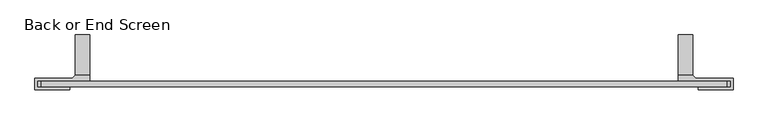
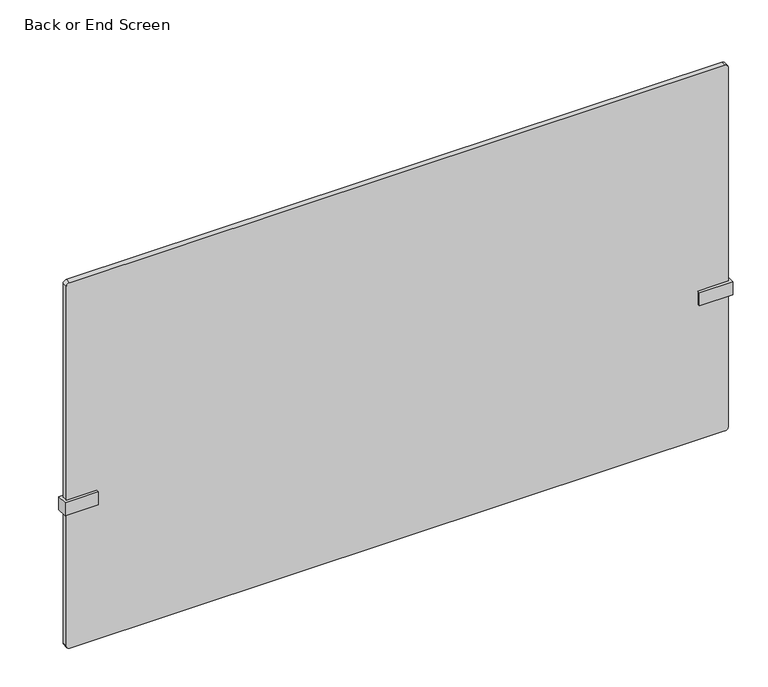
"""IFC4 building model written with IfcOpenShell, lengths in millimetres: furniture geometry, Back or End Screen."""

from ifc_helpers import new_model, si_unit, point, frame, frame_2d, origin, place, context, project, spatial, polyline, circle_curve, trimmed, segment, composite_curve, outline, extrude, faceted_brep, source, transform, mapped, element, save


def back_or_end_screen_05d55c21(model_context):
    return source(origin(), model_context, "Body", "SolidModel", [
        faceted_brep([(-680.3645436, 6.35, 700.0875), (-680.3645436, 107.95, 700.0875), (-680.3645436, 107.95, 706.4375), (-680.3645436, 19.05, 706.4375), (-680.3645436, 19.05, 738.1875), (-680.3645436, 6.35, 738.1875), (-712.1145436, 107.95, 706.4375), (-712.1145436, 107.95, 700.0875), (-712.1145436, 6.35, 700.0875), (-712.1145436, 6.35, 706.4375), (-712.1145436, 19.05, 706.4375), (-794.6645436, 6.35, 738.1875), (-794.6645436, 6.35, 706.4375), (-794.6645436, -6.35, 738.1875), (-712.1145436, 19.05, 738.1875), (-718.4645436, 12.7, 738.1875), (-801.0145436, 12.7, 738.1875), (-801.0145436, -12.7, 738.1875), (-724.8145436, -12.7, 738.1875), (-724.8145436, -6.35, 738.1875), (-794.6645436, -6.35, 706.4375), (-724.8145436, -6.35, 706.4375), (-724.8145436, -12.7, 706.4375), (-801.0145436, -12.7, 706.4375), (-801.0145436, 12.7, 706.4375), (-718.4645436, 12.7, 706.4375)], [[[0, 1, 2, 3, 4, 5]], [[6, 7, 8, 9, 10]], [[2, 6, 10, 3]], [[0, 5, 11, 12, 9, 8]], [[1, 0, 8, 7]], [[2, 1, 7, 6]], [[13, 11, 5, 4, 14, 15, 16, 17, 18, 19]], [[20, 21, 22, 23, 24, 25, 10, 9, 12]], [[11, 13, 20, 12]], [[14, 4, 3, 10]], [[15, 14, 10, 25]], [[16, 15, 25, 24]], [[17, 16, 24, 23]], [[18, 17, 23, 22]], [[19, 18, 22, 21]], [[13, 19, 21, 20]]]),
        faceted_brep([(615.0354564, 107.95, 706.4375), (615.0354564, 107.95, 700.0875), (615.0354564, 6.35, 700.0875), (615.0354564, 6.35, 738.1875), (615.0354564, 19.05, 738.1875), (615.0354564, 19.05, 706.4375), (646.7854564, 6.35, 706.4375), (646.7854564, 6.35, 700.0875), (646.7854564, 107.95, 700.0875), (646.7854564, 107.95, 706.4375), (646.7854564, 19.05, 706.4375), (729.3354564, 6.35, 706.4375), (729.3354564, 6.35, 738.1875), (729.3354564, -6.35, 738.1875), (659.4854564, -6.35, 738.1875), (659.4854564, -12.7, 738.1875), (735.6854564, -12.7, 738.1875), (735.6854564, 12.7, 738.1875), (653.1354564, 12.7, 738.1875), (646.7854564, 19.05, 738.1875), (653.1354564, 12.7, 706.4375), (735.6854564, 12.7, 706.4375), (735.6854564, -12.7, 706.4375), (659.4854564, -12.7, 706.4375), (659.4854564, -6.35, 706.4375), (729.3354564, -6.35, 706.4375)], [[[0, 1, 2, 3, 4, 5]], [[6, 7, 8, 9, 10]], [[1, 0, 9, 8]], [[2, 1, 8, 7]], [[3, 2, 7, 6, 11, 12]], [[9, 0, 5, 10]], [[12, 13, 14, 15, 16, 17, 18, 19, 4, 3]], [[10, 20, 21, 22, 23, 24, 25, 11, 6]], [[18, 17, 21, 20]], [[17, 16, 22, 21]], [[16, 15, 23, 22]], [[15, 14, 24, 23]], [[14, 13, 25, 24]], [[13, 12, 11, 25]], [[4, 19, 10, 5]], [[19, 18, 20, 10]]]),
        extrude(outline(composite_curve([segment(polyline([(1265.2375, 721.3979564), (1265.2375, -786.7270436)]), True, "CONTINUOUS"), segment(trimmed(circle_curve(frame_2d((1257.3, -786.7270436)), 7.9375), [point((1265.2375, -786.7270436))], [point((1257.3, -794.6645436))], False, "CARTESIAN"), True, "CONTINUOUS"), segment(polyline([(1257.3, -794.6645436), (384.175, -794.6645436)]), True, "CONTINUOUS"), segment(trimmed(circle_curve(frame_2d((384.175, -786.7270436)), 7.9375), [point((384.175, -794.6645436))], [point((376.2375, -786.7270436))], False, "CARTESIAN"), True, "CONTINUOUS"), segment(polyline([(376.2375, -786.7270436), (376.2375, 721.3979564)]), True, "CONTINUOUS"), segment(trimmed(circle_curve(frame_2d((384.175, 721.3979564)), 7.9375), [point((376.2375, 721.3979564))], [point((384.175, 729.3354564))], False, "CARTESIAN"), True, "CONTINUOUS"), segment(polyline([(384.175, 729.3354564), (1257.3, 729.3354564)]), True, "CONTINUOUS"), segment(trimmed(circle_curve(frame_2d((1257.3, 721.3979564)), 7.9375), [point((1257.3, 729.3354564))], [point((1265.2375, 721.3979564))], False, "CARTESIAN"), True, "CONTINUOUS")], self_intersect=False)), frame((0.0, -6.35, 0.0), z_axis=(0.0, 1.0, 0.0), x_axis=(0.0, 0.0, 1.0)), (0.0, 0.0, 1.0), 12.7),
    ])


if __name__ == "__main__":
    model = new_model("IFC4")
    model_context = context("Model", 3, world=origin())
    ifc_project = project(units=[si_unit("LENGTHUNIT", "METRE", prefix="MILLI")], contexts=[model_context])
    site = spatial("IfcSite", under=ifc_project)
    building = spatial("IfcBuilding", under=site)
    placement = place(None, origin())
    back_or_end_screen_shape = back_or_end_screen_05d55c21(model_context)
    element("IfcFurniture", 1, ObjectType="Back or End Screen", at=placement, inside=building, context=model_context, shape_type="MappedRepresentation", body=[
        mapped(back_or_end_screen_shape, transform((0.0, 0.0, 0.0), x_axis=(1.0, 0.0, 0.0), y_axis=(0.0, 1.0, 0.0), z_axis=(0.0, 0.0, 1.0))),
    ])
    save(model, "model.ifc")
